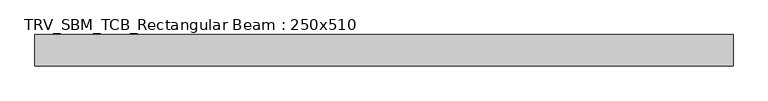
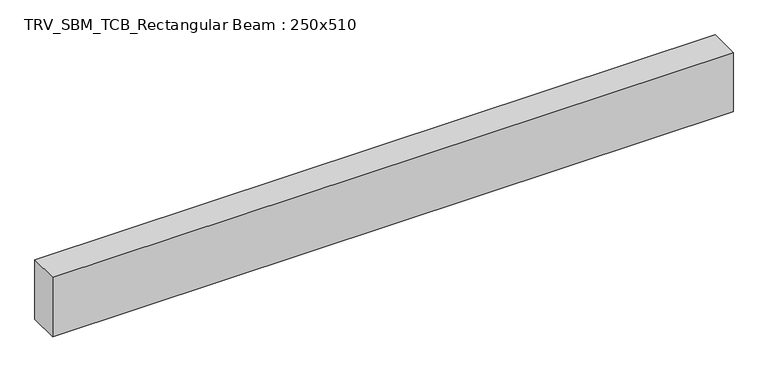
"""IFC4 building model written with IfcOpenShell, lengths in millimetres: beam geometry, TRV_SBM_TCB_Rectangular Beam : 250x510."""

from ifc_helpers import new_model, si_unit, frame, origin, place, context, project, spatial, polyline, outline, extrude, source, transform, mapped, element, save


def trv_sbm_tcb_rectangular_beam_250x510_2fa871f8(model_context):
    return source(origin(), model_context, "Body", "SweptSolid", [
        extrude(outline(polyline([(2763.2, 125.0), (2763.2, -125.0), (-2763.2, -125.0), (-2763.2, 125.0), (2763.2, 125.0)])), frame((0.0, 0.0, -255.0), z_axis=(0.0, 0.0, 1.0), x_axis=(1.0, 0.0, 0.0)), (0.0, 0.0, 1.0), 510.0),
    ])


if __name__ == "__main__":
    model = new_model("IFC4")
    model_context = context("Model", 3, world=origin())
    ifc_project = project(units=[si_unit("LENGTHUNIT", "METRE", prefix="MILLI")], contexts=[model_context])
    site = spatial("IfcSite", under=ifc_project)
    building = spatial("IfcBuilding", under=site)
    placement = place(None, origin())
    trv_sbm_tcb_rectangular_beam_250x510_shape = trv_sbm_tcb_rectangular_beam_250x510_2fa871f8(model_context)
    element("IfcBeam", 1, ObjectType="TRV_SBM_TCB_Rectangular Beam : 250x510", at=placement, inside=building, context=model_context, shape_type="MappedRepresentation", body=[
        mapped(trv_sbm_tcb_rectangular_beam_250x510_shape, transform((0.0, 0.0, 0.0), x_axis=(1.0, 0.0, 0.0), y_axis=(0.0, 1.0, 0.0), z_axis=(0.0, 0.0, 1.0))),
    ])
    save(model, "model.ifc")
